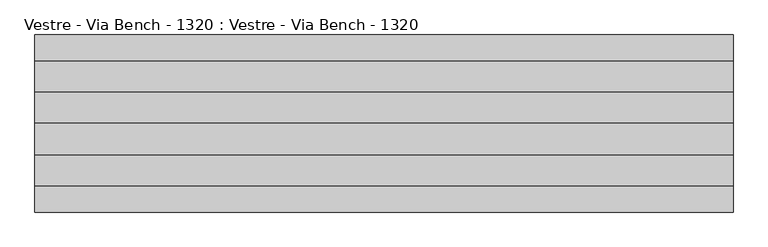
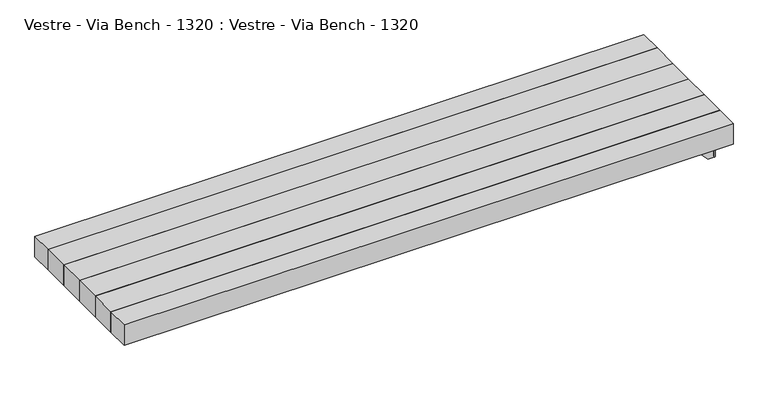
"""IFC4 building model written with IfcOpenShell, lengths in millimetres: furniture geometry, Vestre - Via Bench - 1320 : Vestre - Via Bench - 1320."""

from ifc_helpers import new_model, si_unit, frame, origin, place, context, project, spatial, polyline, circle_curve, outline, extrude, source, transform, mapped, element, save
from ifc_brep_helpers import plane_surface, cylinder_surface, revolved_surface, advanced_brep


def vestre_via_bench_1320_vestre_via_bench_1320_d20ec5fc(model_context):
    return source(origin(), model_context, "Body", "SolidModel", [
        extrude(outline(polyline([(1004.9999893, 0.0), (1004.9999893, -89.7651997), (-1004.9999893, -89.7651997), (-1004.9999893, 0.0), (1004.9999893, 0.0)])), frame((0.0, 0.0, 378.0003783), z_axis=(0.0, 0.0, 1.0), x_axis=(1.0, 0.0, 0.0)), (0.0, 0.0, 1.0), 72.0),
        extrude(outline(polyline([(1004.9999893, -89.7651997), (1004.9999893, -179.7651997), (-1004.9999893, -179.7651997), (-1004.9999893, -89.7651997), (1004.9999893, -89.7651997)])), frame((0.0, 0.0, 378.0003783), z_axis=(0.0, 0.0, 1.0), x_axis=(1.0, 0.0, 0.0)), (0.0, 0.0, 1.0), 72.0),
        extrude(outline(polyline([(1004.9999893, -179.7651997), (1004.9999893, -255.0), (-1004.9999893, -255.0), (-1004.9999893, -179.7651997), (1004.9999893, -179.7651997)])), frame((0.0, 0.0, 378.0003783), z_axis=(0.0, 0.0, 1.0), x_axis=(1.0, 0.0, 0.0)), (0.0, 0.0, 1.0), 72.0),
        extrude(outline(polyline([(1004.9999893, 89.7651997), (1004.9999893, 0.0), (-1004.9999893, 0.0), (-1004.9999893, 89.7651997), (1004.9999893, 89.7651997)])), frame((0.0, 0.0, 378.0003783), z_axis=(0.0, 0.0, 1.0), x_axis=(1.0, 0.0, 0.0)), (0.0, 0.0, 1.0), 72.0),
        extrude(outline(polyline([(1004.9999893, 179.7651997), (1004.9999893, 89.7651997), (-1004.9999893, 89.7651997), (-1004.9999893, 179.7651997), (1004.9999893, 179.7651997)])), frame((0.0, 0.0, 378.0003783), z_axis=(0.0, 0.0, 1.0), x_axis=(1.0, 0.0, 0.0)), (0.0, 0.0, 1.0), 72.0),
        extrude(outline(polyline([(1004.9999893, 255.0), (1004.9999893, 179.7651997), (-1004.9999893, 179.7651997), (-1004.9999893, 255.0), (1004.9999893, 255.0)])), frame((0.0, 0.0, 378.0003783), z_axis=(0.0, 0.0, 1.0), x_axis=(1.0, 0.0, 0.0)), (0.0, 0.0, 1.0), 72.0),
        advanced_brep(
        [(885.5, -29.3, 378.0003634), (885.5, -60.7, 378.0003634), (888.5, -63.7, 378.0003634), (921.5, -63.7, 378.0003634), (924.5, -66.7, 378.0003634), (924.5, -113.3, 378.0003634), (921.5, -116.3, 378.0003634), (888.5, -116.3, 378.0003634), (885.5, -119.3, 378.0003634), (885.5, -150.7, 378.0003634), (888.5, -153.7, 378.0003634), (921.5, -153.7, 378.0003634), (924.5, -156.7, 378.0003634), (924.5, -203.3, 378.0003634), (921.5, -206.3, 378.0003634), (888.5, -206.3, 378.0003634), (885.5, -209.3, 378.0003634), (885.5, -240.5, 378.0003634), (888.5, -243.5, 378.0003634), (943.5, -243.5, 378.0003634), (946.5, -240.5, 378.0003634), (946.5, -156.6, 378.0003634), (949.5, -153.6, 378.0003634), (998.0, -153.6, 378.0003634), (998.0, -151.6, 378.0003634), (998.0, 151.6, 378.0003634), (998.0, 153.6, 378.0003634), (949.5, 153.6, 378.0003634), (946.5, 156.6, 378.0003634), (946.5, 240.5, 378.0003634), (943.5, 243.5, 378.0003634), (888.5, 243.5, 378.0003634), (885.5, 240.5, 378.0003634), (885.5, 209.3, 378.0003634), (888.5, 206.3, 378.0003634), (921.5, 206.3, 378.0003634), (924.5, 203.3, 378.0003634), (924.5, 156.7, 378.0003634), (921.5, 153.7, 378.0003634), (888.5, 153.7, 378.0003634), (885.5, 150.7, 378.0003634), (885.5, 119.3, 378.0003634), (888.5, 116.3, 378.0003634), (921.5, 116.3, 378.0003634), (924.5, 113.3, 378.0003634), (924.5, 66.7, 378.0003634), (921.5, 63.7, 378.0003634), (888.5, 63.7, 378.0003634), (885.5, 60.7, 378.0003634), (885.5, 29.3, 378.0003634), (888.5, 26.3, 378.0003634), (921.5, 26.3, 378.0003634), (924.5, 23.3, 378.0003634), (924.5, -23.3, 378.0003634), (921.5, -26.3, 378.0003634), (888.5, -26.3, 378.0003634), (949.5, -63.7, 378.0003634), (992.5, -63.7, 378.0003634), (995.5, -66.7, 378.0003634), (995.5, -113.3, 378.0003634), (992.5, -116.3, 378.0003634), (949.5, -116.3, 378.0003634), (946.5, -113.3, 378.0003634), (946.5, -66.7, 378.0003634), (949.5, 26.3, 378.0003634), (992.5, 26.3, 378.0003634), (995.5, 23.3, 378.0003634), (995.5, -26.3, 378.0003634), (949.5, -26.3, 378.0003634), (946.5, -23.3, 378.0003634), (946.5, 23.3, 378.0003634), (949.5, 116.3, 378.0003634), (992.5, 116.3, 378.0003634), (995.5, 113.3, 378.0003634), (995.5, 66.7, 378.0003634), (992.5, 63.7, 378.0003634), (949.5, 63.7, 378.0003634), (946.5, 66.7, 378.0003634), (946.5, 113.3, 378.0003634), (885.5, -29.3, 373.0003634), (888.5, -26.3, 373.0003634), (921.5, -26.3, 373.0003634), (924.5, -23.3, 373.0003634), (924.5, 23.3, 373.0003634), (921.5, 26.3, 373.0003634), (888.5, 26.3, 373.0003634), (885.5, 29.3, 373.0003634), (885.5, 60.7, 373.0003634), (888.5, 63.7, 373.0003634), (921.5, 63.7, 373.0003634), (924.5, 66.7, 373.0003634), (924.5, 113.3, 373.0003634), (921.5, 116.3, 373.0003634), (888.5, 116.3, 373.0003634), (885.5, 119.3, 373.0003634), (885.5, 150.7, 373.0003634), (888.5, 153.7, 373.0003634), (921.5, 153.7, 373.0003634), (924.5, 156.7, 373.0003634), (924.5, 203.3, 373.0003634), (921.5, 206.3, 373.0003634), (888.5, 206.3, 373.0003634), (885.5, 209.3, 373.0003634), (885.5, 240.5, 373.0003634), (888.5, 243.5, 373.0003634), (943.5, 243.5, 373.0003634), (946.5, 240.5, 373.0003634), (946.5, 156.6, 373.0003634), (949.5, 153.6, 373.0003634), (998.0, 153.6, 373.0003634), (998.0, 151.6, 373.0003634), (998.0, -151.6, 373.0003634), (998.0, -153.6, 373.0003634), (949.5, -153.6, 373.0003634), (946.5, -156.6, 373.0003634), (946.5, -240.5, 373.0003634), (943.5, -243.5, 373.0003634), (888.5, -243.5, 373.0003634), (885.5, -240.5, 373.0003634), (885.5, -209.3, 373.0003634), (888.5, -206.3, 373.0003634), (921.5, -206.3, 373.0003634), (924.5, -203.3, 373.0003634), (924.5, -156.7, 373.0003634), (921.5, -153.7, 373.0003634), (888.5, -153.7, 373.0003634), (885.5, -150.7, 373.0003634), (885.5, -119.3, 373.0003634), (888.5, -116.3, 373.0003634), (921.5, -116.3, 373.0003634), (924.5, -113.3, 373.0003634), (924.5, -66.7, 373.0003634), (921.5, -63.7, 373.0003634), (888.5, -63.7, 373.0003634), (885.5, -60.7, 373.0003634), (949.5, -63.7, 373.0003634), (946.5, -66.7, 373.0003634), (946.5, -113.3, 373.0003634), (949.5, -116.3, 373.0003634), (992.5, -116.3, 373.0003634), (995.5, -113.3, 373.0003634), (995.5, -66.7, 373.0003634), (992.5, -63.7, 373.0003634), (949.5, 26.3, 373.0003634), (946.5, 23.3, 373.0003634), (946.5, -23.3, 373.0003634), (949.5, -26.3, 373.0003634), (995.5, -26.3, 373.0003634), (995.5, 23.3, 373.0003634), (992.5, 26.3, 373.0003634), (949.5, 116.3, 373.0003634), (946.5, 113.3, 373.0003634), (946.5, 66.7, 373.0003634), (949.5, 63.7, 373.0003634), (992.5, 63.7, 373.0003634), (995.5, 66.7, 373.0003634), (995.5, 113.3, 373.0003634), (992.5, 116.3, 373.0003634), (1000.0, -151.6, 371.0003634), (1005.0, -151.6, 371.0003634), (1005.0, 151.6, 371.0003634), (1000.0, 151.6, 371.0003634), (1005.0, -151.6, 275.8503634), (1005.0, 151.6, 275.8503634), (998.0, -158.6, 275.8503634), (979.2967433, -158.6, 275.8503634), (979.2967433, -153.6, 275.8503634), (998.0, -153.6, 275.8503634), (1000.0, -151.6, 275.8503634), (1000.0, 151.6, 275.8503634), (998.0, 153.6, 275.8503634), (979.2967433, 153.6, 275.8503634), (979.2967433, 158.6, 275.8503634), (998.0, 158.6, 275.8503634), (988.5, -158.6, 371.0003634), (998.0, -158.6, 371.0003634), (998.0, -153.6, 371.0003634), (988.5, -153.6, 371.0003634), (977.1115366, -153.6, 276.7949141), (889.3083814, -153.6, 370.1409501), (888.5, -153.6, 372.0003634), (988.5, -153.6, 372.0003634), (988.5, -158.6, 372.0003634), (888.5, -158.6, 372.0003634), (889.3083814, -158.6, 370.1409501), (977.1115366, -158.6, 276.7949141), (988.5, 153.6, 371.0003634), (998.0, 153.6, 371.0003634), (998.0, 158.6, 371.0003634), (988.5, 158.6, 371.0003634), (988.5, 153.6, 372.0003634), (888.5, 153.6, 372.0003634), (889.3083814, 153.6, 370.1409501), (977.1115366, 153.6, 276.7949141), (977.1115366, 158.6, 276.7949141), (889.3083814, 158.6, 370.1409501), (888.5, 158.6, 372.0003634), (988.5, 158.6, 372.0003634)],
        [
            (0, 1),
            (1, 2, circle_curve(frame((888.5, -60.7, 378.0003634), z_axis=(0.0, 0.0, 1.0), x_axis=(-1.0, 0.0, 0.0)), 3.0)),
            (2, 3),
            (3, 4, circle_curve(frame((921.5, -66.7, 378.0003634), z_axis=(0.0, 0.0, -1.0), x_axis=(1.0, 0.0, 0.0)), 3.0)),
            (4, 5),
            (5, 6, circle_curve(frame((921.5, -113.3, 378.0003634), z_axis=(0.0, 0.0, -1.0), x_axis=(0.0, -1.0, 0.0)), 3.0)),
            (6, 7),
            (7, 8, circle_curve(frame((888.5, -119.3, 378.0003634), z_axis=(0.0, 0.0, 1.0), x_axis=(0.0, 1.0, 0.0)), 3.0)),
            (8, 9),
            (9, 10, circle_curve(frame((888.5, -150.7, 378.0003634), z_axis=(0.0, 0.0, 1.0), x_axis=(-1.0, 0.0, 0.0)), 3.0)),
            (10, 11),
            (11, 12, circle_curve(frame((921.5, -156.7, 378.0003634), z_axis=(0.0, 0.0, -1.0), x_axis=(1.0, 0.0, 0.0)), 3.0)),
            (12, 13),
            (13, 14, circle_curve(frame((921.5, -203.3, 378.0003634), z_axis=(0.0, 0.0, -1.0), x_axis=(0.0, -1.0, 0.0)), 3.0)),
            (14, 15),
            (15, 16, circle_curve(frame((888.5, -209.3, 378.0003634), z_axis=(0.0, 0.0, 1.0), x_axis=(0.0, 1.0, 0.0)), 3.0)),
            (16, 17),
            (17, 18, circle_curve(frame((888.5, -240.5, 378.0003634), z_axis=(0.0, 0.0, 1.0), x_axis=(-1.0, 0.0, 0.0)), 3.0)),
            (18, 19),
            (19, 20, circle_curve(frame((943.5, -240.5, 378.0003634), z_axis=(0.0, 0.0, 1.0), x_axis=(0.0, -1.0, 0.0)), 3.0)),
            (20, 21),
            (21, 22, circle_curve(frame((949.5, -156.6, 378.0003634), z_axis=(0.0, 0.0, -1.0), x_axis=(0.0, 1.0, 0.0)), 3.0)),
            (22, 23),
            (23, 24),
            (24, 25),
            (25, 26),
            (26, 27),
            (27, 28, circle_curve(frame((949.5, 156.6, 378.0003634), z_axis=(0.0, 0.0, -1.0), x_axis=(-1.0, 0.0, 0.0)), 3.0)),
            (28, 29),
            (29, 30, circle_curve(frame((943.5, 240.5, 378.0003634), z_axis=(0.0, 0.0, 1.0), x_axis=(0.0, 1.0, 0.0)), 3.0)),
            (30, 31),
            (31, 32, circle_curve(frame((888.5, 240.5, 378.0003634), z_axis=(0.0, 0.0, 1.0), x_axis=(0.0, 1.0, 0.0)), 3.0)),
            (32, 33),
            (33, 34, circle_curve(frame((888.5, 209.3, 378.0003634), z_axis=(0.0, 0.0, 1.0), x_axis=(-1.0, 0.0, 0.0)), 3.0)),
            (34, 35),
            (35, 36, circle_curve(frame((921.5, 203.3, 378.0003634), z_axis=(0.0, 0.0, -1.0), x_axis=(1.0, 0.0, 0.0)), 3.0)),
            (36, 37),
            (37, 38, circle_curve(frame((921.5, 156.7, 378.0003634), z_axis=(0.0, 0.0, -1.0), x_axis=(0.0, -1.0, 0.0)), 3.0)),
            (38, 39),
            (39, 40, circle_curve(frame((888.5, 150.7, 378.0003634), z_axis=(0.0, 0.0, 1.0), x_axis=(0.0, 1.0, 0.0)), 3.0)),
            (40, 41),
            (41, 42, circle_curve(frame((888.5, 119.3, 378.0003634), z_axis=(0.0, 0.0, 1.0), x_axis=(-1.0, 0.0, 0.0)), 3.0)),
            (42, 43),
            (43, 44, circle_curve(frame((921.5, 113.3, 378.0003634), z_axis=(0.0, 0.0, -1.0), x_axis=(1.0, 0.0, 0.0)), 3.0)),
            (44, 45),
            (45, 46, circle_curve(frame((921.5, 66.7, 378.0003634), z_axis=(0.0, 0.0, -1.0), x_axis=(0.0, -1.0, 0.0)), 3.0)),
            (46, 47),
            (47, 48, circle_curve(frame((888.5, 60.7, 378.0003634), z_axis=(0.0, 0.0, 1.0), x_axis=(0.0, 1.0, 0.0)), 3.0)),
            (48, 49),
            (49, 50, circle_curve(frame((888.5, 29.3, 378.0003634), z_axis=(0.0, 0.0, 1.0), x_axis=(-1.0, 0.0, 0.0)), 3.0)),
            (50, 51),
            (51, 52, circle_curve(frame((921.5, 23.3, 378.0003634), z_axis=(0.0, 0.0, -1.0), x_axis=(1.0, 0.0, 0.0)), 3.0)),
            (52, 53),
            (53, 54, circle_curve(frame((921.5, -23.3, 378.0003634), z_axis=(0.0, 0.0, -1.0), x_axis=(0.0, -1.0, 0.0)), 3.0)),
            (54, 55),
            (55, 0, circle_curve(frame((888.5, -29.3, 378.0003634), z_axis=(0.0, 0.0, 1.0), x_axis=(0.0, 1.0, 0.0)), 3.0)),
            (56, 57),
            (57, 58, circle_curve(frame((992.5, -66.7, 378.0003634), z_axis=(0.0, 0.0, -1.0), x_axis=(1.0, 0.0, 0.0)), 3.0)),
            (58, 59),
            (59, 60, circle_curve(frame((992.5, -113.3, 378.0003634), z_axis=(0.0, 0.0, -1.0), x_axis=(0.0, -1.0, 0.0)), 3.0)),
            (60, 61),
            (61, 62, circle_curve(frame((949.5, -113.3, 378.0003634), z_axis=(0.0, 0.0, -1.0), x_axis=(-1.0, 0.0, 0.0)), 3.0)),
            (62, 63),
            (63, 56, circle_curve(frame((949.5, -66.7, 378.0003634), z_axis=(0.0, 0.0, -1.0), x_axis=(0.0, 1.0, 0.0)), 3.0)),
            (64, 65),
            (65, 66, circle_curve(frame((992.5, 23.3, 378.0003634), z_axis=(0.0, 0.0, -1.0), x_axis=(1.0, 0.0, 0.0)), 3.0)),
            (66, 67),
            (67, 68),
            (68, 69, circle_curve(frame((949.5, -23.3, 378.0003634), z_axis=(0.0, 0.0, -1.0), x_axis=(-1.0, 0.0, 0.0)), 3.0)),
            (69, 70),
            (70, 64, circle_curve(frame((949.5, 23.3, 378.0003634), z_axis=(0.0, 0.0, -1.0), x_axis=(0.0, 1.0, 0.0)), 3.0)),
            (71, 72),
            (72, 73, circle_curve(frame((992.5, 113.3, 378.0003634), z_axis=(0.0, 0.0, -1.0), x_axis=(1.0, 0.0, 0.0)), 3.0)),
            (73, 74),
            (74, 75, circle_curve(frame((992.5, 66.7, 378.0003634), z_axis=(0.0, 0.0, -1.0), x_axis=(0.0, -1.0, 0.0)), 3.0)),
            (75, 76),
            (76, 77, circle_curve(frame((949.5, 66.7, 378.0003634), z_axis=(0.0, 0.0, -1.0), x_axis=(-1.0, 0.0, 0.0)), 3.0)),
            (77, 78),
            (78, 71, circle_curve(frame((949.5, 113.3, 378.0003634), z_axis=(0.0, 0.0, -1.0), x_axis=(0.0, 1.0, 0.0)), 3.0)),
            (79, 80, circle_curve(frame((888.5, -29.3, 373.0003634), z_axis=(0.0, 0.0, -1.0), x_axis=(0.0, 1.0, 0.0)), 3.0)),
            (80, 81),
            (81, 82, circle_curve(frame((921.5, -23.3, 373.0003634), z_axis=(0.0, 0.0, 1.0), x_axis=(0.0, -1.0, 0.0)), 3.0)),
            (82, 83),
            (83, 84, circle_curve(frame((921.5, 23.3, 373.0003634), z_axis=(0.0, 0.0, 1.0), x_axis=(1.0, 0.0, 0.0)), 3.0)),
            (84, 85),
            (85, 86, circle_curve(frame((888.5, 29.3, 373.0003634), z_axis=(0.0, 0.0, -1.0), x_axis=(-1.0, 0.0, 0.0)), 3.0)),
            (86, 87),
            (87, 88, circle_curve(frame((888.5, 60.7, 373.0003634), z_axis=(0.0, 0.0, -1.0), x_axis=(0.0, 1.0, 0.0)), 3.0)),
            (88, 89),
            (89, 90, circle_curve(frame((921.5, 66.7, 373.0003634), z_axis=(0.0, 0.0, 1.0), x_axis=(0.0, -1.0, 0.0)), 3.0)),
            (90, 91),
            (91, 92, circle_curve(frame((921.5, 113.3, 373.0003634), z_axis=(0.0, 0.0, 1.0), x_axis=(1.0, 0.0, 0.0)), 3.0)),
            (92, 93),
            (93, 94, circle_curve(frame((888.5, 119.3, 373.0003634), z_axis=(0.0, 0.0, -1.0), x_axis=(-1.0, 0.0, 0.0)), 3.0)),
            (94, 95),
            (95, 96, circle_curve(frame((888.5, 150.7, 373.0003634), z_axis=(0.0, 0.0, -1.0), x_axis=(0.0, 1.0, 0.0)), 3.0)),
            (96, 97),
            (97, 98, circle_curve(frame((921.5, 156.7, 373.0003634), z_axis=(0.0, 0.0, 1.0), x_axis=(0.0, -1.0, 0.0)), 3.0)),
            (98, 99),
            (99, 100, circle_curve(frame((921.5, 203.3, 373.0003634), z_axis=(0.0, 0.0, 1.0), x_axis=(1.0, 0.0, 0.0)), 3.0)),
            (100, 101),
            (101, 102, circle_curve(frame((888.5, 209.3, 373.0003634), z_axis=(0.0, 0.0, -1.0), x_axis=(-1.0, 0.0, 0.0)), 3.0)),
            (102, 103),
            (103, 104, circle_curve(frame((888.5, 240.5, 373.0003634), z_axis=(0.0, 0.0, -1.0), x_axis=(0.0, 1.0, 0.0)), 3.0)),
            (104, 105),
            (105, 106, circle_curve(frame((943.5, 240.5, 373.0003634), z_axis=(0.0, 0.0, -1.0), x_axis=(0.0, 1.0, 0.0)), 3.0)),
            (106, 107),
            (107, 108, circle_curve(frame((949.5, 156.6, 373.0003634), z_axis=(0.0, 0.0, 1.0), x_axis=(-1.0, 0.0, 0.0)), 3.0)),
            (108, 109),
            (109, 110),
            (110, 111),
            (111, 112),
            (112, 113),
            (113, 114, circle_curve(frame((949.5, -156.6, 373.0003634), z_axis=(0.0, 0.0, 1.0), x_axis=(0.0, 1.0, 0.0)), 3.0)),
            (114, 115),
            (115, 116, circle_curve(frame((943.5, -240.5, 373.0003634), z_axis=(0.0, 0.0, -1.0), x_axis=(0.0, -1.0, 0.0)), 3.0)),
            (116, 117),
            (117, 118, circle_curve(frame((888.5, -240.5, 373.0003634), z_axis=(0.0, 0.0, -1.0), x_axis=(-1.0, 0.0, 0.0)), 3.0)),
            (118, 119),
            (119, 120, circle_curve(frame((888.5, -209.3, 373.0003634), z_axis=(0.0, 0.0, -1.0), x_axis=(0.0, 1.0, 0.0)), 3.0)),
            (120, 121),
            (121, 122, circle_curve(frame((921.5, -203.3, 373.0003634), z_axis=(0.0, 0.0, 1.0), x_axis=(0.0, -1.0, 0.0)), 3.0)),
            (122, 123),
            (123, 124, circle_curve(frame((921.5, -156.7, 373.0003634), z_axis=(0.0, 0.0, 1.0), x_axis=(1.0, 0.0, 0.0)), 3.0)),
            (124, 125),
            (125, 126, circle_curve(frame((888.5, -150.7, 373.0003634), z_axis=(0.0, 0.0, -1.0), x_axis=(-1.0, 0.0, 0.0)), 3.0)),
            (126, 127),
            (127, 128, circle_curve(frame((888.5, -119.3, 373.0003634), z_axis=(0.0, 0.0, -1.0), x_axis=(0.0, 1.0, 0.0)), 3.0)),
            (128, 129),
            (129, 130, circle_curve(frame((921.5, -113.3, 373.0003634), z_axis=(0.0, 0.0, 1.0), x_axis=(0.0, -1.0, 0.0)), 3.0)),
            (130, 131),
            (131, 132, circle_curve(frame((921.5, -66.7, 373.0003634), z_axis=(0.0, 0.0, 1.0), x_axis=(1.0, 0.0, 0.0)), 3.0)),
            (132, 133),
            (133, 134, circle_curve(frame((888.5, -60.7, 373.0003634), z_axis=(0.0, 0.0, -1.0), x_axis=(-1.0, 0.0, 0.0)), 3.0)),
            (134, 79),
            (135, 136, circle_curve(frame((949.5, -66.7, 373.0003634), z_axis=(0.0, 0.0, 1.0), x_axis=(0.0, 1.0, 0.0)), 3.0)),
            (136, 137),
            (137, 138, circle_curve(frame((949.5, -113.3, 373.0003634), z_axis=(0.0, 0.0, 1.0), x_axis=(-1.0, 0.0, 0.0)), 3.0)),
            (138, 139),
            (139, 140, circle_curve(frame((992.5, -113.3, 373.0003634), z_axis=(0.0, 0.0, 1.0), x_axis=(0.0, -1.0, 0.0)), 3.0)),
            (140, 141),
            (141, 142, circle_curve(frame((992.5, -66.7, 373.0003634), z_axis=(0.0, 0.0, 1.0), x_axis=(1.0, 0.0, 0.0)), 3.0)),
            (142, 135),
            (143, 144, circle_curve(frame((949.5, 23.3, 373.0003634), z_axis=(0.0, 0.0, 1.0), x_axis=(0.0, 1.0, 0.0)), 3.0)),
            (144, 145),
            (145, 146, circle_curve(frame((949.5, -23.3, 373.0003634), z_axis=(0.0, 0.0, 1.0), x_axis=(-1.0, 0.0, 0.0)), 3.0)),
            (146, 147),
            (147, 148),
            (148, 149, circle_curve(frame((992.5, 23.3, 373.0003634), z_axis=(0.0, 0.0, 1.0), x_axis=(1.0, 0.0, 0.0)), 3.0)),
            (149, 143),
            (150, 151, circle_curve(frame((949.5, 113.3, 373.0003634), z_axis=(0.0, 0.0, 1.0), x_axis=(0.0, 1.0, 0.0)), 3.0)),
            (151, 152),
            (152, 153, circle_curve(frame((949.5, 66.7, 373.0003634), z_axis=(0.0, 0.0, 1.0), x_axis=(-1.0, 0.0, 0.0)), 3.0)),
            (153, 154),
            (154, 155, circle_curve(frame((992.5, 66.7, 373.0003634), z_axis=(0.0, 0.0, 1.0), x_axis=(0.0, -1.0, 0.0)), 3.0)),
            (155, 156),
            (156, 157, circle_curve(frame((992.5, 113.3, 373.0003634), z_axis=(0.0, 0.0, 1.0), x_axis=(1.0, 0.0, 0.0)), 3.0)),
            (157, 150),
            (55, 80),
            (79, 0),
            (54, 81),
            (53, 82),
            (52, 83),
            (51, 84),
            (50, 85),
            (49, 86),
            (48, 87),
            (47, 88),
            (46, 89),
            (45, 90),
            (44, 91),
            (43, 92),
            (42, 93),
            (41, 94),
            (40, 95),
            (39, 96),
            (38, 97),
            (37, 98),
            (36, 99),
            (35, 100),
            (34, 101),
            (33, 102),
            (32, 103),
            (31, 104),
            (30, 105),
            (29, 106),
            (28, 107),
            (27, 108),
            (26, 109),
            (25, 110),
            (23, 112),
            (111, 24),
            (22, 113),
            (21, 114),
            (20, 115),
            (19, 116),
            (18, 117),
            (17, 118),
            (16, 119),
            (15, 120),
            (14, 121),
            (13, 122),
            (12, 123),
            (11, 124),
            (10, 125),
            (9, 126),
            (8, 127),
            (7, 128),
            (6, 129),
            (5, 130),
            (4, 131),
            (3, 132),
            (2, 133),
            (1, 134),
            (63, 136),
            (135, 56),
            (62, 137),
            (61, 138),
            (60, 139),
            (59, 140),
            (58, 141),
            (57, 142),
            (70, 144),
            (143, 64),
            (69, 145),
            (68, 146),
            (67, 147),
            (66, 148),
            (65, 149),
            (78, 151),
            (150, 71),
            (77, 152),
            (76, 153),
            (75, 154),
            (74, 155),
            (73, 156),
            (72, 157),
            (111, 158, circle_curve(frame((998.0, -151.6, 371.0003634), z_axis=(0.0, 1.0, 0.0), x_axis=(-1.0, 0.0, 0.0)), 2.0)),
            (158, 159),
            (159, 24, circle_curve(frame((998.0, -151.6, 371.0003634), z_axis=(0.0, -1.0, 0.0), x_axis=(-1.0, 0.0, 0.0)), 7.0)),
            (25, 160, circle_curve(frame((998.0, 151.6, 371.0003634), z_axis=(0.0, 1.0, 0.0), x_axis=(-1.0, 0.0, 0.0)), 7.0)),
            (160, 161),
            (161, 110, circle_curve(frame((998.0, 151.6, 371.0003634), z_axis=(0.0, -1.0, 0.0), x_axis=(-1.0, 0.0, 0.0)), 2.0)),
            (159, 160),
            (161, 158),
            (159, 162),
            (162, 163),
            (163, 160),
            (162, 164, circle_curve(frame((998.0, -151.6, 275.8503634), z_axis=(0.0, 0.0, -1.0), x_axis=(-1.0, 0.0, 0.0)), 7.0)),
            (164, 165),
            (165, 166),
            (166, 167),
            (167, 168, circle_curve(frame((998.0, -151.6, 275.8503634), z_axis=(0.0, 0.0, 1.0), x_axis=(-1.0, 0.0, 0.0)), 2.0)),
            (168, 169),
            (169, 170, circle_curve(frame((998.0, 151.6, 275.8503634), z_axis=(0.0, 0.0, 1.0), x_axis=(-1.0, 0.0, 0.0)), 2.0)),
            (170, 171),
            (171, 172),
            (172, 173),
            (173, 163, circle_curve(frame((998.0, 151.6, 275.8503634), z_axis=(0.0, 0.0, -1.0), x_axis=(-1.0, 0.0, 0.0)), 7.0)),
            (161, 169),
            (168, 158),
            (174, 175),
            (175, 159, circle_curve(frame((998.0, -151.6, 371.0003634), z_axis=(0.0, 0.0, 1.0), x_axis=(-1.0, 0.0, 0.0)), 7.0)),
            (158, 176, circle_curve(frame((998.0, -151.6, 371.0003634), z_axis=(0.0, 0.0, -1.0), x_axis=(-1.0, 0.0, 0.0)), 2.0)),
            (176, 177),
            (177, 174),
            (176, 167),
            (166, 178, circle_curve(frame((979.2967433, -153.6, 278.8503634), z_axis=(0.0, 1.0, 0.0), x_axis=(0.0, 0.0, -1.0)), 3.0)),
            (178, 179),
            (179, 180, circle_curve(frame((891.4935881, -153.6, 372.1963993), z_axis=(0.0, 1.0, 0.0), x_axis=(-0.9978627112267325, 0.0, -0.06534531003243231)), 3.0)),
            (180, 181),
            (181, 177),
            (175, 164),
            (174, 182),
            (182, 183),
            (183, 184, circle_curve(frame((891.4935881, -158.6, 372.1963993), z_axis=(0.0, -1.0, 0.0), x_axis=(-0.9978627112267325, 0.0, -0.06534531003243231)), 3.0)),
            (184, 185),
            (185, 165, circle_curve(frame((979.2967433, -158.6, 278.8503634), z_axis=(0.0, -1.0, 0.0), x_axis=(0.0, 0.0, -1.0)), 3.0)),
            (183, 180),
            (179, 184),
            (182, 181),
            (185, 178),
            (186, 187),
            (187, 161, circle_curve(frame((998.0, 151.6, 371.0003634), z_axis=(0.0, 0.0, -1.0), x_axis=(-1.0, 0.0, 0.0)), 2.0)),
            (160, 188, circle_curve(frame((998.0, 151.6, 371.0003634), z_axis=(0.0, 0.0, 1.0), x_axis=(-1.0, 0.0, 0.0)), 7.0)),
            (188, 189),
            (189, 186),
            (186, 190),
            (190, 191),
            (191, 192, circle_curve(frame((891.4935881, 153.6, 372.1963993), z_axis=(0.0, -1.0, 0.0), x_axis=(-0.9978627112267325, 0.0, -0.06534531003243231)), 3.0)),
            (192, 193),
            (193, 171, circle_curve(frame((979.2967433, 153.6, 278.8503634), z_axis=(0.0, -1.0, 0.0), x_axis=(0.0, 0.0, -1.0)), 3.0)),
            (170, 187),
            (173, 188),
            (172, 194, circle_curve(frame((979.2967433, 158.6, 278.8503634), z_axis=(0.0, 1.0, 0.0), x_axis=(0.0, 0.0, -1.0)), 3.0)),
            (194, 195),
            (195, 196, circle_curve(frame((891.4935881, 158.6, 372.1963993), z_axis=(0.0, 1.0, 0.0), x_axis=(-0.9978627112267325, 0.0, -0.06534531003243231)), 3.0)),
            (196, 197),
            (197, 189),
            (195, 192),
            (191, 196),
            (190, 197),
            (193, 194),
        ],
        [
            plane_surface(frame((885.5, -60.7, 378.0003634), z_axis=(0.0, 0.0, 1.0), x_axis=(0.0, -1.0, 0.0))),
            plane_surface(frame((885.5, -60.7, 373.0003634), z_axis=(0.0, 0.0, -1.0), x_axis=(0.0, 1.0, 0.0))),
            cylinder_surface(frame((888.5, -29.3, 373.0003634), z_axis=(0.0, 0.0, 1.0), x_axis=(0.0, 1.0, 0.0)), 3.0),
            plane_surface(frame((921.5, -26.3, 378.0003634), z_axis=(0.0, 1.0, 0.0), x_axis=(0.0, 0.0, -1.0))),
            revolved_surface(polyline([(921.5, -26.3, 373.0003634), (921.5, -26.3, 378.0003634)]), (921.5, -23.3, 373.0003634), (0.0, 0.0, -1.0)),
            plane_surface(frame((924.5, 23.3, 378.0003634), z_axis=(-1.0, 0.0, 0.0), x_axis=(0.0, 0.0, -1.0))),
            revolved_surface(polyline([(924.5, 23.3, 373.0003634), (924.5, 23.3, 378.0003634)]), (921.5, 23.3, 373.0003634), (0.0, 0.0, -1.0)),
            plane_surface(frame((888.5, 26.3, 378.0003634), z_axis=(0.0, -1.0, 0.0), x_axis=(0.0, 0.0, -1.0))),
            cylinder_surface(frame((888.5, 29.3, 373.0003634), z_axis=(0.0, 0.0, 1.0), x_axis=(-1.0, 0.0, 0.0)), 3.0),
            plane_surface(frame((885.5, 60.7, 378.0003634), z_axis=(-1.0, 0.0, 0.0), x_axis=(0.0, 0.0, -1.0))),
            cylinder_surface(frame((888.5, 60.7, 373.0003634), z_axis=(0.0, 0.0, 1.0), x_axis=(0.0, 1.0, 0.0)), 3.0),
            plane_surface(frame((921.5, 63.7, 378.0003634), z_axis=(0.0, 1.0, 0.0), x_axis=(0.0, 0.0, -1.0))),
            revolved_surface(polyline([(921.5, 63.7, 373.0003634), (921.5, 63.7, 378.0003634)]), (921.5, 66.7, 373.0003634), (0.0, 0.0, -1.0)),
            plane_surface(frame((924.5, 113.3, 378.0003634), z_axis=(-1.0, 0.0, 0.0), x_axis=(0.0, 0.0, -1.0))),
            revolved_surface(polyline([(924.5, 113.3, 373.0003634), (924.5, 113.3, 378.0003634)]), (921.5, 113.3, 373.0003634), (0.0, 0.0, -1.0)),
            plane_surface(frame((888.5, 116.3, 378.0003634), z_axis=(0.0, -1.0, 0.0), x_axis=(0.0, 0.0, -1.0))),
            cylinder_surface(frame((888.5, 119.3, 373.0003634), z_axis=(0.0, 0.0, 1.0), x_axis=(-1.0, 0.0, 0.0)), 3.0),
            plane_surface(frame((885.5, 150.7, 378.0003634), z_axis=(-1.0, 0.0, 0.0), x_axis=(0.0, 0.0, -1.0))),
            cylinder_surface(frame((888.5, 150.7, 373.0003634), z_axis=(0.0, 0.0, 1.0), x_axis=(0.0, 1.0, 0.0)), 3.0),
            plane_surface(frame((921.5, 153.7, 378.0003634), z_axis=(0.0, 1.0, 0.0), x_axis=(0.0, 0.0, -1.0))),
            revolved_surface(polyline([(921.5, 153.7, 373.0003634), (921.5, 153.7, 378.0003634)]), (921.5, 156.7, 373.0003634), (0.0, 0.0, -1.0)),
            plane_surface(frame((924.5, 203.3, 378.0003634), z_axis=(-1.0, 0.0, 0.0), x_axis=(0.0, 0.0, -1.0))),
            revolved_surface(polyline([(924.5, 203.3, 373.0003634), (924.5, 203.3, 378.0003634)]), (921.5, 203.3, 373.0003634), (0.0, 0.0, -1.0)),
            plane_surface(frame((888.5, 206.3, 378.0003634), z_axis=(0.0, -1.0, 0.0), x_axis=(0.0, 0.0, -1.0))),
            cylinder_surface(frame((888.5, 209.3, 373.0003634), z_axis=(0.0, 0.0, 1.0), x_axis=(-1.0, 0.0, 0.0)), 3.0),
            plane_surface(frame((885.5, 240.5, 378.0003634), z_axis=(-1.0, 0.0, 0.0), x_axis=(0.0, 0.0, -1.0))),
            cylinder_surface(frame((888.5, 240.5, 373.0003634), z_axis=(0.0, 0.0, 1.0), x_axis=(0.0, 1.0, 0.0)), 3.0),
            plane_surface(frame((943.5, 243.5, 378.0003634), z_axis=(0.0, 1.0, 0.0), x_axis=(0.0, 0.0, -1.0))),
            cylinder_surface(frame((943.5, 240.5, 373.0003634), z_axis=(0.0, 0.0, 1.0), x_axis=(0.0, 1.0, 0.0)), 3.0),
            plane_surface(frame((946.5, 156.6, 378.0003634), z_axis=(1.0, 0.0, 0.0), x_axis=(0.0, 0.0, -1.0))),
            revolved_surface(polyline([(946.5, 156.6, 373.0003634), (946.5, 156.6, 378.0003634)]), (949.5, 156.6, 373.0003634), (0.0, 0.0, -1.0)),
            plane_surface(frame((998.0, 153.6, 378.0003634), z_axis=(0.0, 1.0, 0.0), x_axis=(0.0, 0.0, -1.0))),
            plane_surface(frame((998.0, 151.6, 378.0003634), z_axis=(1.0, 0.0, 0.0), x_axis=(0.0, 0.0, -1.0))),
            plane_surface(frame((998.0, -153.6, 378.0003634), z_axis=(1.0, -5.888090015559755e-12, 0.0), x_axis=(0.0, 0.0, -1.0))),
            plane_surface(frame((949.5, -153.6, 378.0003634), z_axis=(0.0, -1.0, 0.0), x_axis=(0.0, 0.0, -1.0))),
            revolved_surface(polyline([(949.5, -153.6, 373.0003634), (949.5, -153.6, 378.0003634)]), (949.5, -156.6, 373.0003634), (0.0, 0.0, -1.0)),
            plane_surface(frame((946.5, -240.5, 378.0003634), z_axis=(1.0, 0.0, 0.0), x_axis=(0.0, 0.0, -1.0))),
            cylinder_surface(frame((943.5, -240.5, 373.0003634), z_axis=(0.0, 0.0, 1.0), x_axis=(0.0, -1.0, 0.0)), 3.0),
            plane_surface(frame((888.5, -243.5, 378.0003634), z_axis=(0.0, -1.0, 0.0), x_axis=(0.0, 0.0, -1.0))),
            cylinder_surface(frame((888.5, -240.5, 373.0003634), z_axis=(0.0, 0.0, 1.0), x_axis=(-1.0, 0.0, 0.0)), 3.0),
            plane_surface(frame((885.5, -209.3, 378.0003634), z_axis=(-1.0, 0.0, 0.0), x_axis=(0.0, 0.0, -1.0))),
            cylinder_surface(frame((888.5, -209.3, 373.0003634), z_axis=(0.0, 0.0, 1.0), x_axis=(0.0, 1.0, 0.0)), 3.0),
            plane_surface(frame((921.5, -206.3, 378.0003634), z_axis=(0.0, 1.0, 0.0), x_axis=(0.0, 0.0, -1.0))),
            revolved_surface(polyline([(921.5, -206.3, 373.0003634), (921.5, -206.3, 378.0003634)]), (921.5, -203.3, 373.0003634), (0.0, 0.0, -1.0)),
            plane_surface(frame((924.5, -156.7, 378.0003634), z_axis=(-1.0, 0.0, 0.0), x_axis=(0.0, 0.0, -1.0))),
            revolved_surface(polyline([(924.5, -156.7, 373.0003634), (924.5, -156.7, 378.0003634)]), (921.5, -156.7, 373.0003634), (0.0, 0.0, -1.0)),
            plane_surface(frame((888.5, -153.7, 378.0003634), z_axis=(0.0, -1.0, 0.0), x_axis=(0.0, 0.0, -1.0))),
            cylinder_surface(frame((888.5, -150.7, 373.0003634), z_axis=(0.0, 0.0, 1.0), x_axis=(-1.0, 0.0, 0.0)), 3.0),
            plane_surface(frame((885.5, -119.3, 378.0003634), z_axis=(-1.0, 0.0, 0.0), x_axis=(0.0, 0.0, -1.0))),
            cylinder_surface(frame((888.5, -119.3, 373.0003634), z_axis=(0.0, 0.0, 1.0), x_axis=(0.0, 1.0, 0.0)), 3.0),
            plane_surface(frame((921.5, -116.3, 378.0003634), z_axis=(0.0, 1.0, 0.0), x_axis=(0.0, 0.0, -1.0))),
            revolved_surface(polyline([(921.5, -116.3, 373.0003634), (921.5, -116.3, 378.0003634)]), (921.5, -113.3, 373.0003634), (0.0, 0.0, -1.0)),
            plane_surface(frame((924.5, -66.7, 378.0003634), z_axis=(-1.0, 0.0, 0.0), x_axis=(0.0, 0.0, -1.0))),
            revolved_surface(polyline([(924.5, -66.7, 373.0003634), (924.5, -66.7, 378.0003634)]), (921.5, -66.7, 373.0003634), (0.0, 0.0, -1.0)),
            plane_surface(frame((888.5, -63.7, 378.0003634), z_axis=(0.0, -1.0, 0.0), x_axis=(0.0, 0.0, -1.0))),
            cylinder_surface(frame((888.5, -60.7, 373.0003634), z_axis=(0.0, 0.0, 1.0), x_axis=(-1.0, 0.0, 0.0)), 3.0),
            plane_surface(frame((885.5, -29.3, 378.0003634), z_axis=(-1.0, 0.0, 0.0), x_axis=(0.0, 0.0, -1.0))),
            revolved_surface(polyline([(949.5, -63.7, 373.0003634), (949.5, -63.7, 378.0003634)]), (949.5, -66.7, 0.0), (0.0, 0.0, -1.0)),
            plane_surface(frame((946.5, -113.3, 378.0003634), z_axis=(1.0, 0.0, 0.0), x_axis=(0.0, 0.0, -1.0))),
            revolved_surface(polyline([(946.5, -113.3, 373.0003634), (946.5, -113.3, 378.0003634)]), (949.5, -113.3, 0.0), (0.0, 0.0, -1.0)),
            plane_surface(frame((992.5, -116.3, 378.0003634), z_axis=(0.0, 1.0, 0.0), x_axis=(0.0, 0.0, -1.0))),
            revolved_surface(polyline([(992.5, -116.3, 373.0003634), (992.5, -116.3, 378.0003634)]), (992.5, -113.3, 0.0), (0.0, 0.0, -1.0)),
            plane_surface(frame((995.5, -66.7, 378.0003634), z_axis=(-1.0, 0.0, 0.0), x_axis=(0.0, 0.0, -1.0))),
            revolved_surface(polyline([(995.5, -66.7, 373.0003634), (995.5, -66.7, 378.0003634)]), (992.5, -66.7, 0.0), (0.0, 0.0, -1.0)),
            plane_surface(frame((949.5, -63.7, 378.0003634), z_axis=(0.0, -1.0, 0.0), x_axis=(0.0, 0.0, -1.0))),
            revolved_surface(polyline([(949.5, 26.3, 373.0003634), (949.5, 26.3, 378.0003634)]), (949.5, 23.3, 0.0), (0.0, 0.0, -1.0)),
            plane_surface(frame((946.5, -23.3, 378.0003634), z_axis=(1.0, 0.0, 0.0), x_axis=(0.0, 0.0, -1.0))),
            revolved_surface(polyline([(946.5, -23.3, 373.0003634), (946.5, -23.3, 378.0003634)]), (949.5, -23.3, 0.0), (0.0, 0.0, -1.0)),
            plane_surface(frame((995.5, -26.3, 378.0003634), z_axis=(0.0, 1.0, 0.0), x_axis=(0.0, 0.0, -1.0))),
            plane_surface(frame((995.5, 23.3, 378.0003634), z_axis=(-1.0, 0.0, 0.0), x_axis=(0.0, 0.0, -1.0))),
            revolved_surface(polyline([(995.5, 23.3, 373.0003634), (995.5, 23.3, 378.0003634)]), (992.5, 23.3, 0.0), (0.0, 0.0, -1.0)),
            plane_surface(frame((949.5, 26.3, 378.0003634), z_axis=(0.0, -1.0, 0.0), x_axis=(0.0, 0.0, -1.0))),
            revolved_surface(polyline([(949.5, 116.3, 373.0003634), (949.5, 116.3, 378.0003634)]), (949.5, 113.3, 0.0), (0.0, 0.0, -1.0)),
            plane_surface(frame((946.5, 66.7, 378.0003634), z_axis=(1.0, 0.0, 0.0), x_axis=(0.0, 0.0, -1.0))),
            revolved_surface(polyline([(946.5, 66.7, 373.0003634), (946.5, 66.7, 378.0003634)]), (949.5, 66.7, 0.0), (0.0, 0.0, -1.0)),
            plane_surface(frame((992.5, 63.7, 378.0003634), z_axis=(0.0, 1.0, 0.0), x_axis=(0.0, 0.0, -1.0))),
            revolved_surface(polyline([(992.5, 63.7, 373.0003634), (992.5, 63.7, 378.0003634)]), (992.5, 66.7, 0.0), (0.0, 0.0, -1.0)),
            plane_surface(frame((995.5, 113.3, 378.0003634), z_axis=(-1.0, 0.0, 0.0), x_axis=(0.0, 0.0, -1.0))),
            revolved_surface(polyline([(995.5, 113.3, 373.0003634), (995.5, 113.3, 378.0003634)]), (992.5, 113.3, 0.0), (0.0, 0.0, -1.0)),
            plane_surface(frame((949.5, 116.3, 378.0003634), z_axis=(0.0, -1.0, 0.0), x_axis=(0.0, 0.0, -1.0))),
            plane_surface(frame((996.0, -151.6, 371.0003634), z_axis=(0.0, -1.0, 0.0), x_axis=(0.0, 0.0, 1.0))),
            plane_surface(frame((996.0, 151.6, 371.0003634), z_axis=(0.0, 1.0, 0.0), x_axis=(0.0, 0.0, -1.0))),
            cylinder_surface(frame((998.0, 151.6, 371.0003634), z_axis=(0.0, -1.0, 0.0), x_axis=(-1.0, 0.0, 0.0)), 7.0),
            revolved_surface(polyline([(996.0, 151.6, 371.0003634), (996.0, -151.6, 371.0003634)]), (998.0, 151.6, 371.0003634), (0.0, 1.0, 0.0)),
            plane_surface(frame((1005.0, -151.6, 275.8503634), z_axis=(1.0, 0.0, 0.0), x_axis=(0.0, 1.0, 0.0))),
            plane_surface(frame((1000.0, -151.6, 275.8503634), z_axis=(0.0, 0.0, -1.0), x_axis=(0.0, 1.0, 0.0))),
            plane_surface(frame((1000.0, -151.6, 371.0003634), z_axis=(-1.0, 0.0, 0.0), x_axis=(0.0, 1.0, 0.0))),
            plane_surface(frame((998.0, -158.6, 371.0003634), z_axis=(0.0, 0.0, 1.0), x_axis=(1.0, 0.0, 0.0))),
            plane_surface(frame((998.0, -153.6, 371.0003634), z_axis=(0.0, 1.0, 0.0), x_axis=(0.0, 0.0, -1.0))),
            revolved_surface(polyline([(996.0, -151.6, 275.8503634), (996.0, -151.6, 371.0003634)]), (998.0, -151.6, 275.8503634), (0.0, 0.0, -1.0)),
            cylinder_surface(frame((998.0, -151.6, 275.8503634), z_axis=(0.0, 0.0, 1.0), x_axis=(-1.0, 0.0, 0.0)), 7.0),
            plane_surface(frame((988.5, -158.6, 371.0003634), z_axis=(0.0, -1.0, 0.0), x_axis=(0.0, 0.0, -1.0))),
            cylinder_surface(frame((891.4935881, -153.6, 372.1963993), z_axis=(0.0, -1.0, 0.0), x_axis=(-0.9978627112267325, 0.0, -0.06534531003243231)), 3.0),
            plane_surface(frame((988.5, -158.6, 372.0003634), z_axis=(0.0, 0.0, 1.0), x_axis=(0.0, 1.0, 0.0))),
            plane_surface(frame((988.5, -158.6, 371.0003634), z_axis=(1.0, 0.0, 0.0), x_axis=(0.0, 1.0, 0.0))),
            cylinder_surface(frame((979.2967433, -153.6, 278.8503634), z_axis=(0.0, -1.0, 0.0), x_axis=(0.0, 0.0, -1.0)), 3.0),
            plane_surface(frame((889.3083814, -158.6, 370.1409501), z_axis=(-0.7284022295777661, 0.0, -0.6851497587725908), x_axis=(0.0, 1.0, 0.0))),
            plane_surface(frame((988.5, 158.6, 371.0003634), z_axis=(0.0, 0.0, 1.0), x_axis=(0.0, -1.0, 0.0))),
            plane_surface(frame((988.5, 153.6, 371.0003634), z_axis=(0.0, -1.0, 0.0), x_axis=(0.0, 0.0, -1.0))),
            revolved_surface(polyline([(996.0, 151.6, 275.8503634), (996.0, 151.6, 371.0003634)]), (998.0, 151.6, 275.8503634), (0.0, 0.0, -1.0)),
            cylinder_surface(frame((998.0, 151.6, 275.8503634), z_axis=(0.0, 0.0, 1.0), x_axis=(-1.0, 0.0, 0.0)), 7.0),
            plane_surface(frame((998.0, 158.6, 371.0003634), z_axis=(0.0, 1.0, 0.0), x_axis=(0.0, 0.0, -1.0))),
            cylinder_surface(frame((891.4935881, 153.6, 372.1963993), z_axis=(0.0, 1.0, 0.0), x_axis=(-0.9978627112267325, 0.0, -0.06534531003243231)), 3.0),
            plane_surface(frame((888.5, 158.6, 372.0003634), z_axis=(0.0, 0.0, 1.0), x_axis=(0.0, -1.0, 0.0))),
            plane_surface(frame((988.5, 158.6, 372.0003634), z_axis=(1.0, 0.0, 0.0), x_axis=(0.0, -1.0, 0.0))),
            cylinder_surface(frame((979.2967433, 153.6, 278.8503634), z_axis=(0.0, 1.0, 0.0), x_axis=(0.0, 0.0, -1.0)), 3.0),
            plane_surface(frame((977.1115366, 158.6, 276.7949141), z_axis=(-0.7284022295777661, 0.0, -0.6851497587725908), x_axis=(0.0, -1.0, 0.0))),
        ],
        [
            (0, [[1, 2, 3, 4, 5, 6, 7, 8, 9, 10, 11, 12, 13, 14, 15, 16, 17, 18, 19, 20, 21, 22, 23, 24, 25, 26, 27, 28, 29, 30, 31, 32, 33, 34, 35, 36, 37, 38, 39, 40, 41, 42, 43, 44, 45, 46, 47, 48, 49, 50, 51, 52, 53, 54, 55, 56], [57, 58, 59, 60, 61, 62, 63, 64], [65, 66, 67, 68, 69, 70, 71], [72, 73, 74, 75, 76, 77, 78, 79]]),
            (1, [[80, 81, 82, 83, 84, 85, 86, 87, 88, 89, 90, 91, 92, 93, 94, 95, 96, 97, 98, 99, 100, 101, 102, 103, 104, 105, 106, 107, 108, 109, 110, 111, 112, 113, 114, 115, 116, 117, 118, 119, 120, 121, 122, 123, 124, 125, 126, 127, 128, 129, 130, 131, 132, 133, 134, 135], [136, 137, 138, 139, 140, 141, 142, 143], [144, 145, 146, 147, 148, 149, 150], [151, 152, 153, 154, 155, 156, 157, 158]]),
            (2, [[-56, 159, -80, 160]]),
            (3, [[-55, 161, -81, -159]]),
            (4, [[-54, 162, -82, -161]]),
            (5, [[-53, 163, -83, -162]]),
            (6, [[-52, 164, -84, -163]]),
            (7, [[-51, 165, -85, -164]]),
            (8, [[-50, 166, -86, -165]]),
            (9, [[-49, 167, -87, -166]]),
            (10, [[-48, 168, -88, -167]]),
            (11, [[-47, 169, -89, -168]]),
            (12, [[-46, 170, -90, -169]]),
            (13, [[-45, 171, -91, -170]]),
            (14, [[-44, 172, -92, -171]]),
            (15, [[-43, 173, -93, -172]]),
            (16, [[-42, 174, -94, -173]]),
            (17, [[-41, 175, -95, -174]]),
            (18, [[-40, 176, -96, -175]]),
            (19, [[-39, 177, -97, -176]]),
            (20, [[-38, 178, -98, -177]]),
            (21, [[-37, 179, -99, -178]]),
            (22, [[-36, 180, -100, -179]]),
            (23, [[-35, 181, -101, -180]]),
            (24, [[-34, 182, -102, -181]]),
            (25, [[-33, 183, -103, -182]]),
            (26, [[-32, 184, -104, -183]]),
            (27, [[-31, 185, -105, -184]]),
            (28, [[-30, 186, -106, -185]]),
            (29, [[-29, 187, -107, -186]]),
            (30, [[-28, 188, -108, -187]]),
            (31, [[-27, 189, -109, -188]]),
            (32, [[-26, 190, -110, -189]]),
            (33, [[-24, 191, -112, 192]]),
            (34, [[-23, 193, -113, -191]]),
            (35, [[-22, 194, -114, -193]]),
            (36, [[-21, 195, -115, -194]]),
            (37, [[-20, 196, -116, -195]]),
            (38, [[-19, 197, -117, -196]]),
            (39, [[-18, 198, -118, -197]]),
            (40, [[-17, 199, -119, -198]]),
            (41, [[-16, 200, -120, -199]]),
            (42, [[-15, 201, -121, -200]]),
            (43, [[-14, 202, -122, -201]]),
            (44, [[-13, 203, -123, -202]]),
            (45, [[-12, 204, -124, -203]]),
            (46, [[-11, 205, -125, -204]]),
            (47, [[-10, 206, -126, -205]]),
            (48, [[-9, 207, -127, -206]]),
            (49, [[-8, 208, -128, -207]]),
            (50, [[-7, 209, -129, -208]]),
            (51, [[-6, 210, -130, -209]]),
            (52, [[-5, 211, -131, -210]]),
            (53, [[-4, 212, -132, -211]]),
            (54, [[-3, 213, -133, -212]]),
            (55, [[-2, 214, -134, -213]]),
            (56, [[-1, -160, -135, -214]]),
            (57, [[-64, 215, -136, 216]]),
            (58, [[-63, 217, -137, -215]]),
            (59, [[-62, 218, -138, -217]]),
            (60, [[-61, 219, -139, -218]]),
            (61, [[-60, 220, -140, -219]]),
            (62, [[-59, 221, -141, -220]]),
            (63, [[-58, 222, -142, -221]]),
            (64, [[-57, -216, -143, -222]]),
            (65, [[-71, 223, -144, 224]]),
            (66, [[-70, 225, -145, -223]]),
            (67, [[-69, 226, -146, -225]]),
            (68, [[-68, 227, -147, -226]]),
            (69, [[-67, 228, -148, -227]]),
            (70, [[-66, 229, -149, -228]]),
            (71, [[-65, -224, -150, -229]]),
            (72, [[-79, 230, -151, 231]]),
            (73, [[-78, 232, -152, -230]]),
            (74, [[-77, 233, -153, -232]]),
            (75, [[-76, 234, -154, -233]]),
            (76, [[-75, 235, -155, -234]]),
            (77, [[-74, 236, -156, -235]]),
            (78, [[-73, 237, -157, -236]]),
            (79, [[-72, -231, -158, -237]]),
            (80, [[238, 239, 240, -192]]),
            (81, [[241, 242, 243, -190]]),
            (82, [[-240, 244, -241, -25]]),
            (83, [[-238, -111, -243, 245]]),
            (84, [[-244, 246, 247, 248]]),
            (85, [[-247, 249, 250, 251, 252, 253, 254, 255, 256, 257, 258, 259]]),
            (86, [[-245, 260, -254, 261]]),
            (87, [[262, 263, -239, 264, 265, 266]]),
            (88, [[-265, 267, -252, 268, 269, 270, 271, 272]]),
            (89, [[-264, -261, -253, -267]]),
            (90, [[-263, 273, -249, -246]]),
            (91, [[-262, 274, 275, 276, 277, 278, -250, -273]]),
            (92, [[-276, 279, -270, 280]]),
            (93, [[-275, 281, -271, -279]]),
            (94, [[-274, -266, -272, -281]]),
            (95, [[-278, 282, -268, -251]]),
            (96, [[-277, -280, -269, -282]]),
            (97, [[283, 284, -242, 285, 286, 287]]),
            (98, [[-283, 288, 289, 290, 291, 292, -256, 293]]),
            (99, [[-284, -293, -255, -260]]),
            (100, [[-285, -248, -259, 294]]),
            (101, [[-286, -294, -258, 295, 296, 297, 298, 299]]),
            (102, [[-297, 300, -290, 301]]),
            (103, [[-298, -301, -289, 302]]),
            (104, [[-299, -302, -288, -287]]),
            (105, [[-295, -257, -292, 303]]),
            (106, [[-296, -303, -291, -300]]),
        ],
    ),
    ])


if __name__ == "__main__":
    model = new_model("IFC4")
    model_context = context("Model", 3, world=origin())
    ifc_project = project(units=[si_unit("LENGTHUNIT", "METRE", prefix="MILLI")], contexts=[model_context])
    site = spatial("IfcSite", under=ifc_project)
    building = spatial("IfcBuilding", under=site)
    placement = place(None, origin())
    vestre_via_bench_1320_vestre_via_bench_1320_shape = vestre_via_bench_1320_vestre_via_bench_1320_d20ec5fc(model_context)
    element("IfcFurniture", 1, ObjectType="Vestre - Via Bench - 1320 : Vestre - Via Bench - 1320", at=placement, inside=building, context=model_context, shape_type="MappedRepresentation", body=[
        mapped(vestre_via_bench_1320_vestre_via_bench_1320_shape, transform((0.0, 0.0, 0.0), x_axis=(1.0, 0.0, 0.0), y_axis=(0.0, 1.0, 0.0), z_axis=(0.0, 0.0, 1.0))),
    ])
    save(model, "model.ifc")
